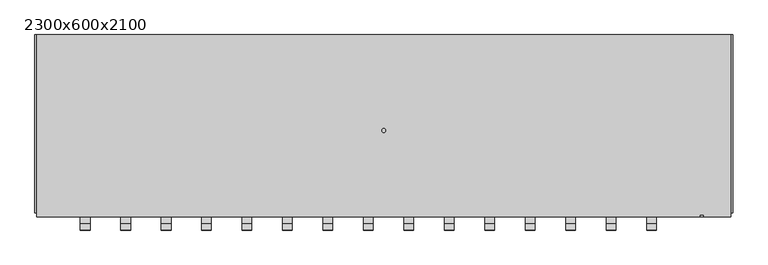
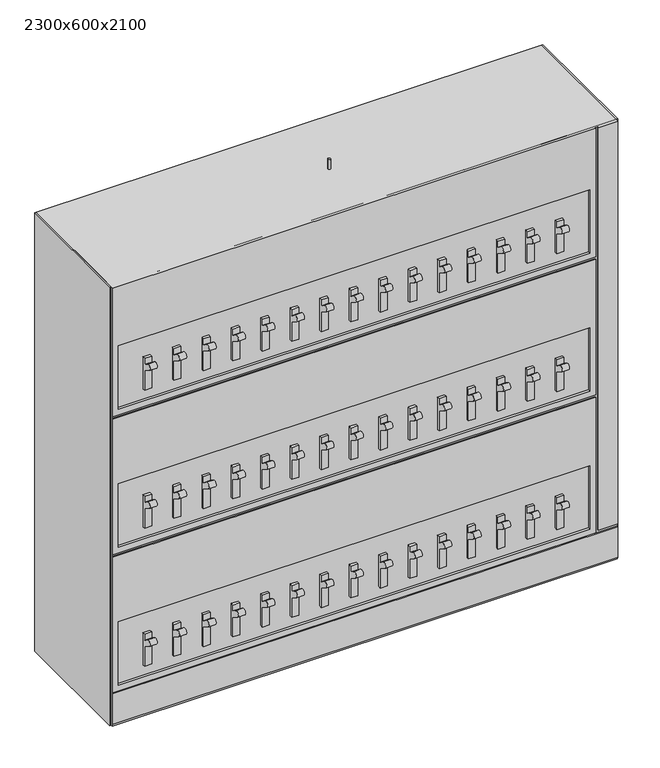
"""IFC4 building model written with IfcOpenShell, lengths in millimetres: proxy geometry, 2300x600x2100."""

from ifc_helpers import new_model, si_unit, point, frame, frame_2d, origin, place, context, project, spatial, polyline, circle_curve, trimmed, segment, composite_curve, outline, extrude, faceted_brep, source, transform, mapped, element, save
from ifc_brep_helpers import plane_surface, cylinder_surface, advanced_brep


def proxy_2300x600x2100_bf810264(model_context):
    return source(origin(), model_context, "Body", "SolidModel", [
        extrude(outline(composite_curve([segment(polyline([(-579.5115662, 1041.5284675), (-555.7854499, 1025.525), (-555.7854499, 1054.1), (-543.0854499, 1054.1), (-543.0854499, 901.7), (-555.7854499, 901.7), (-555.7854499, 993.775), (-594.2306098, 1019.7065878)]), True, "CONTINUOUS"), segment(trimmed(circle_curve(frame_2d((-586.871088, 1030.6175277)), 13.1609715), [point((-594.2306098, 1019.7065878))], [point((-579.5115662, 1041.5284675))], False, "CARTESIAN"), True, "CONTINUOUS")], self_intersect=False)), frame((866.775, 0.0, 0.0), z_axis=(1.0, 0.0, 0.0), x_axis=(0.0, 1.0, 0.0)), (0.0, 0.0, 1.0), 31.75),
        extrude(outline(composite_curve([segment(polyline([(-579.5115662, 1041.5284675), (-555.7854499, 1025.525), (-555.7854499, 1054.1), (-543.0854499, 1054.1), (-543.0854499, 901.7), (-555.7854499, 901.7), (-555.7854499, 993.775), (-594.2306098, 1019.7065878)]), True, "CONTINUOUS"), segment(trimmed(circle_curve(frame_2d((-586.871088, 1030.6175277)), 13.1609715), [point((-594.2306098, 1019.7065878))], [point((-579.5115662, 1041.5284675))], False, "CARTESIAN"), True, "CONTINUOUS")], self_intersect=False)), frame((733.425, 0.0, 0.0), z_axis=(1.0, 0.0, 0.0), x_axis=(0.0, 1.0, 0.0)), (0.0, 0.0, 1.0), 31.75),
        extrude(outline(composite_curve([segment(polyline([(-579.5115662, 1041.5284675), (-555.7854499, 1025.525), (-555.7854499, 1054.1), (-543.0854499, 1054.1), (-543.0854499, 901.7), (-555.7854499, 901.7), (-555.7854499, 993.775), (-594.2306098, 1019.7065878)]), True, "CONTINUOUS"), segment(trimmed(circle_curve(frame_2d((-586.871088, 1030.6175277)), 13.1609715), [point((-594.2306098, 1019.7065878))], [point((-579.5115662, 1041.5284675))], False, "CARTESIAN"), True, "CONTINUOUS")], self_intersect=False)), frame((600.075, 0.0, 0.0), z_axis=(1.0, 0.0, 0.0), x_axis=(0.0, 1.0, 0.0)), (0.0, 0.0, 1.0), 31.75),
        extrude(outline(composite_curve([segment(polyline([(-579.5115662, 1041.5284675), (-555.7854499, 1025.525), (-555.7854499, 1054.1), (-543.0854499, 1054.1), (-543.0854499, 901.7), (-555.7854499, 901.7), (-555.7854499, 993.775), (-594.2306098, 1019.7065878)]), True, "CONTINUOUS"), segment(trimmed(circle_curve(frame_2d((-586.871088, 1030.6175277)), 13.1609715), [point((-594.2306098, 1019.7065878))], [point((-579.5115662, 1041.5284675))], False, "CARTESIAN"), True, "CONTINUOUS")], self_intersect=False)), frame((466.725, 0.0, 0.0), z_axis=(1.0, 0.0, 0.0), x_axis=(0.0, 1.0, 0.0)), (0.0, 0.0, 1.0), 31.75),
        extrude(outline(composite_curve([segment(polyline([(-579.5115662, 1041.5284675), (-555.7854499, 1025.525), (-555.7854499, 1054.1), (-543.0854499, 1054.1), (-543.0854499, 901.7), (-555.7854499, 901.7), (-555.7854499, 993.775), (-594.2306098, 1019.7065878)]), True, "CONTINUOUS"), segment(trimmed(circle_curve(frame_2d((-586.871088, 1030.6175277)), 13.1609715), [point((-594.2306098, 1019.7065878))], [point((-579.5115662, 1041.5284675))], False, "CARTESIAN"), True, "CONTINUOUS")], self_intersect=False)), frame((333.375, 0.0, 0.0), z_axis=(1.0, 0.0, 0.0), x_axis=(0.0, 1.0, 0.0)), (0.0, 0.0, 1.0), 31.75),
        extrude(outline(composite_curve([segment(polyline([(-579.5115662, 1041.5284675), (-555.7854499, 1025.525), (-555.7854499, 1054.1), (-543.0854499, 1054.1), (-543.0854499, 901.7), (-555.7854499, 901.7), (-555.7854499, 993.775), (-594.2306098, 1019.7065878)]), True, "CONTINUOUS"), segment(trimmed(circle_curve(frame_2d((-586.871088, 1030.6175277)), 13.1609715), [point((-594.2306098, 1019.7065878))], [point((-579.5115662, 1041.5284675))], False, "CARTESIAN"), True, "CONTINUOUS")], self_intersect=False)), frame((200.025, 0.0, 0.0), z_axis=(1.0, 0.0, 0.0), x_axis=(0.0, 1.0, 0.0)), (0.0, 0.0, 1.0), 31.75),
        extrude(outline(composite_curve([segment(polyline([(-579.5115662, 1041.5284675), (-555.7854499, 1025.525), (-555.7854499, 1054.1), (-543.0854499, 1054.1), (-543.0854499, 901.7), (-555.7854499, 901.7), (-555.7854499, 993.775), (-594.2306098, 1019.7065878)]), True, "CONTINUOUS"), segment(trimmed(circle_curve(frame_2d((-586.871088, 1030.6175277)), 13.1609715), [point((-594.2306098, 1019.7065878))], [point((-579.5115662, 1041.5284675))], False, "CARTESIAN"), True, "CONTINUOUS")], self_intersect=False)), frame((66.675, 0.0, 0.0), z_axis=(1.0, 0.0, 0.0), x_axis=(0.0, 1.0, 0.0)), (0.0, 0.0, 1.0), 31.75),
        extrude(outline(composite_curve([segment(polyline([(-579.5115662, 1041.5284675), (-555.7854499, 1025.525), (-555.7854499, 1054.1), (-543.0854499, 1054.1), (-543.0854499, 901.7), (-555.7854499, 901.7), (-555.7854499, 993.775), (-594.2306098, 1019.7065878)]), True, "CONTINUOUS"), segment(trimmed(circle_curve(frame_2d((-586.871088, 1030.6175277)), 13.1609715), [point((-594.2306098, 1019.7065878))], [point((-579.5115662, 1041.5284675))], False, "CARTESIAN"), True, "CONTINUOUS")], self_intersect=False)), frame((-66.675, 0.0, 0.0), z_axis=(1.0, 0.0, 0.0), x_axis=(0.0, 1.0, 0.0)), (0.0, 0.0, 1.0), 31.75),
        extrude(outline(composite_curve([segment(polyline([(-579.5115662, 1041.5284675), (-555.7854499, 1025.525), (-555.7854499, 1054.1), (-543.0854499, 1054.1), (-543.0854499, 901.7), (-555.7854499, 901.7), (-555.7854499, 993.775), (-594.2306098, 1019.7065878)]), True, "CONTINUOUS"), segment(trimmed(circle_curve(frame_2d((-586.871088, 1030.6175277)), 13.1609715), [point((-594.2306098, 1019.7065878))], [point((-579.5115662, 1041.5284675))], False, "CARTESIAN"), True, "CONTINUOUS")], self_intersect=False)), frame((-200.025, 0.0, 0.0), z_axis=(1.0, 0.0, 0.0), x_axis=(0.0, 1.0, 0.0)), (0.0, 0.0, 1.0), 31.75),
        extrude(outline(composite_curve([segment(polyline([(-579.5115662, 1701.9284675), (-555.7854499, 1685.925), (-555.7854499, 1714.5), (-543.0854499, 1714.5), (-543.0854499, 1562.1), (-555.7854499, 1562.1), (-555.7854499, 1654.175), (-594.2306098, 1680.1065878)]), True, "CONTINUOUS"), segment(trimmed(circle_curve(frame_2d((-586.871088, 1691.0175277)), 13.1609715), [point((-594.2306098, 1680.1065878))], [point((-579.5115662, 1701.9284675))], False, "CARTESIAN"), True, "CONTINUOUS")], self_intersect=False)), frame((866.775, 0.0, 0.0), z_axis=(1.0, 0.0, 0.0), x_axis=(0.0, 1.0, 0.0)), (0.0, 0.0, 1.0), 31.75),
        extrude(outline(composite_curve([segment(polyline([(-579.5115662, 1701.9284675), (-555.7854499, 1685.925), (-555.7854499, 1714.5), (-543.0854499, 1714.5), (-543.0854499, 1562.1), (-555.7854499, 1562.1), (-555.7854499, 1654.175), (-594.2306098, 1680.1065878)]), True, "CONTINUOUS"), segment(trimmed(circle_curve(frame_2d((-586.871088, 1691.0175277)), 13.1609715), [point((-594.2306098, 1680.1065878))], [point((-579.5115662, 1701.9284675))], False, "CARTESIAN"), True, "CONTINUOUS")], self_intersect=False)), frame((733.425, 0.0, 0.0), z_axis=(1.0, 0.0, 0.0), x_axis=(0.0, 1.0, 0.0)), (0.0, 0.0, 1.0), 31.75),
        extrude(outline(composite_curve([segment(polyline([(-579.5115662, 1701.9284675), (-555.7854499, 1685.925), (-555.7854499, 1714.5), (-543.0854499, 1714.5), (-543.0854499, 1562.1), (-555.7854499, 1562.1), (-555.7854499, 1654.175), (-594.2306098, 1680.1065878)]), True, "CONTINUOUS"), segment(trimmed(circle_curve(frame_2d((-586.871088, 1691.0175277)), 13.1609715), [point((-594.2306098, 1680.1065878))], [point((-579.5115662, 1701.9284675))], False, "CARTESIAN"), True, "CONTINUOUS")], self_intersect=False)), frame((600.075, 0.0, 0.0), z_axis=(1.0, 0.0, 0.0), x_axis=(0.0, 1.0, 0.0)), (0.0, 0.0, 1.0), 31.75),
        extrude(outline(composite_curve([segment(polyline([(-579.5115662, 1701.9284675), (-555.7854499, 1685.925), (-555.7854499, 1714.5), (-543.0854499, 1714.5), (-543.0854499, 1562.1), (-555.7854499, 1562.1), (-555.7854499, 1654.175), (-594.2306098, 1680.1065878)]), True, "CONTINUOUS"), segment(trimmed(circle_curve(frame_2d((-586.871088, 1691.0175277)), 13.1609715), [point((-594.2306098, 1680.1065878))], [point((-579.5115662, 1701.9284675))], False, "CARTESIAN"), True, "CONTINUOUS")], self_intersect=False)), frame((466.725, 0.0, 0.0), z_axis=(1.0, 0.0, 0.0), x_axis=(0.0, 1.0, 0.0)), (0.0, 0.0, 1.0), 31.75),
        extrude(outline(composite_curve([segment(polyline([(-579.5115662, 1701.9284675), (-555.7854499, 1685.925), (-555.7854499, 1714.5), (-543.0854499, 1714.5), (-543.0854499, 1562.1), (-555.7854499, 1562.1), (-555.7854499, 1654.175), (-594.2306098, 1680.1065878)]), True, "CONTINUOUS"), segment(trimmed(circle_curve(frame_2d((-586.871088, 1691.0175277)), 13.1609715), [point((-594.2306098, 1680.1065878))], [point((-579.5115662, 1701.9284675))], False, "CARTESIAN"), True, "CONTINUOUS")], self_intersect=False)), frame((333.375, 0.0, 0.0), z_axis=(1.0, 0.0, 0.0), x_axis=(0.0, 1.0, 0.0)), (0.0, 0.0, 1.0), 31.75),
        extrude(outline(composite_curve([segment(polyline([(-579.5115662, 1701.9284675), (-555.7854499, 1685.925), (-555.7854499, 1714.5), (-543.0854499, 1714.5), (-543.0854499, 1562.1), (-555.7854499, 1562.1), (-555.7854499, 1654.175), (-594.2306098, 1680.1065878)]), True, "CONTINUOUS"), segment(trimmed(circle_curve(frame_2d((-586.871088, 1691.0175277)), 13.1609715), [point((-594.2306098, 1680.1065878))], [point((-579.5115662, 1701.9284675))], False, "CARTESIAN"), True, "CONTINUOUS")], self_intersect=False)), frame((200.025, 0.0, 0.0), z_axis=(1.0, 0.0, 0.0), x_axis=(0.0, 1.0, 0.0)), (0.0, 0.0, 1.0), 31.75),
        extrude(outline(composite_curve([segment(polyline([(-579.5115662, 1701.9284675), (-555.7854499, 1685.925), (-555.7854499, 1714.5), (-543.0854499, 1714.5), (-543.0854499, 1562.1), (-555.7854499, 1562.1), (-555.7854499, 1654.175), (-594.2306098, 1680.1065878)]), True, "CONTINUOUS"), segment(trimmed(circle_curve(frame_2d((-586.871088, 1691.0175277)), 13.1609715), [point((-594.2306098, 1680.1065878))], [point((-579.5115662, 1701.9284675))], False, "CARTESIAN"), True, "CONTINUOUS")], self_intersect=False)), frame((66.675, 0.0, 0.0), z_axis=(1.0, 0.0, 0.0), x_axis=(0.0, 1.0, 0.0)), (0.0, 0.0, 1.0), 31.75),
        extrude(outline(composite_curve([segment(polyline([(-579.5115662, 1701.9284675), (-555.7854499, 1685.925), (-555.7854499, 1714.5), (-543.0854499, 1714.5), (-543.0854499, 1562.1), (-555.7854499, 1562.1), (-555.7854499, 1654.175), (-594.2306098, 1680.1065878)]), True, "CONTINUOUS"), segment(trimmed(circle_curve(frame_2d((-586.871088, 1691.0175277)), 13.1609715), [point((-594.2306098, 1680.1065878))], [point((-579.5115662, 1701.9284675))], False, "CARTESIAN"), True, "CONTINUOUS")], self_intersect=False)), frame((-66.675, 0.0, 0.0), z_axis=(1.0, 0.0, 0.0), x_axis=(0.0, 1.0, 0.0)), (0.0, 0.0, 1.0), 31.75),
        extrude(outline(composite_curve([segment(polyline([(-579.5115662, 1701.9284675), (-555.7854499, 1685.925), (-555.7854499, 1714.5), (-543.0854499, 1714.5), (-543.0854499, 1562.1), (-555.7854499, 1562.1), (-555.7854499, 1654.175), (-594.2306098, 1680.1065878)]), True, "CONTINUOUS"), segment(trimmed(circle_curve(frame_2d((-586.871088, 1691.0175277)), 13.1609715), [point((-594.2306098, 1680.1065878))], [point((-579.5115662, 1701.9284675))], False, "CARTESIAN"), True, "CONTINUOUS")], self_intersect=False)), frame((-200.025, 0.0, 0.0), z_axis=(1.0, 0.0, 0.0), x_axis=(0.0, 1.0, 0.0)), (0.0, 0.0, 1.0), 31.75),
        extrude(outline(composite_curve([segment(polyline([(-579.5115662, 381.1284675), (-555.7854499, 365.125), (-555.7854499, 393.7), (-543.0854499, 393.7), (-543.0854499, 241.3), (-555.7854499, 241.3), (-555.7854499, 333.375), (-594.2306098, 359.3065878)]), True, "CONTINUOUS"), segment(trimmed(circle_curve(frame_2d((-586.871088, 370.2175277)), 13.1609715), [point((-594.2306098, 359.3065878))], [point((-579.5115662, 381.1284675))], False, "CARTESIAN"), True, "CONTINUOUS")], self_intersect=False)), frame((866.775, 0.0, 0.0), z_axis=(1.0, 0.0, 0.0), x_axis=(0.0, 1.0, 0.0)), (0.0, 0.0, 1.0), 31.75),
        extrude(outline(composite_curve([segment(polyline([(-579.5115662, 381.1284675), (-555.7854499, 365.125), (-555.7854499, 393.7), (-543.0854499, 393.7), (-543.0854499, 241.3), (-555.7854499, 241.3), (-555.7854499, 333.375), (-594.2306098, 359.3065878)]), True, "CONTINUOUS"), segment(trimmed(circle_curve(frame_2d((-586.871088, 370.2175277)), 13.1609715), [point((-594.2306098, 359.3065878))], [point((-579.5115662, 381.1284675))], False, "CARTESIAN"), True, "CONTINUOUS")], self_intersect=False)), frame((733.425, 0.0, 0.0), z_axis=(1.0, 0.0, 0.0), x_axis=(0.0, 1.0, 0.0)), (0.0, 0.0, 1.0), 31.75),
        extrude(outline(composite_curve([segment(polyline([(-579.5115662, 381.1284675), (-555.7854499, 365.125), (-555.7854499, 393.7), (-543.0854499, 393.7), (-543.0854499, 241.3), (-555.7854499, 241.3), (-555.7854499, 333.375), (-594.2306098, 359.3065878)]), True, "CONTINUOUS"), segment(trimmed(circle_curve(frame_2d((-586.871088, 370.2175277)), 13.1609715), [point((-594.2306098, 359.3065878))], [point((-579.5115662, 381.1284675))], False, "CARTESIAN"), True, "CONTINUOUS")], self_intersect=False)), frame((600.075, 0.0, 0.0), z_axis=(1.0, 0.0, 0.0), x_axis=(0.0, 1.0, 0.0)), (0.0, 0.0, 1.0), 31.75),
        extrude(outline(composite_curve([segment(polyline([(-579.5115662, 381.1284675), (-555.7854499, 365.125), (-555.7854499, 393.7), (-543.0854499, 393.7), (-543.0854499, 241.3), (-555.7854499, 241.3), (-555.7854499, 333.375), (-594.2306098, 359.3065878)]), True, "CONTINUOUS"), segment(trimmed(circle_curve(frame_2d((-586.871088, 370.2175277)), 13.1609715), [point((-594.2306098, 359.3065878))], [point((-579.5115662, 381.1284675))], False, "CARTESIAN"), True, "CONTINUOUS")], self_intersect=False)), frame((466.725, 0.0, 0.0), z_axis=(1.0, 0.0, 0.0), x_axis=(0.0, 1.0, 0.0)), (0.0, 0.0, 1.0), 31.75),
        extrude(outline(composite_curve([segment(polyline([(-579.5115662, 381.1284675), (-555.7854499, 365.125), (-555.7854499, 393.7), (-543.0854499, 393.7), (-543.0854499, 241.3), (-555.7854499, 241.3), (-555.7854499, 333.375), (-594.2306098, 359.3065878)]), True, "CONTINUOUS"), segment(trimmed(circle_curve(frame_2d((-586.871088, 370.2175277)), 13.1609715), [point((-594.2306098, 359.3065878))], [point((-579.5115662, 381.1284675))], False, "CARTESIAN"), True, "CONTINUOUS")], self_intersect=False)), frame((333.375, 0.0, 0.0), z_axis=(1.0, 0.0, 0.0), x_axis=(0.0, 1.0, 0.0)), (0.0, 0.0, 1.0), 31.75),
        extrude(outline(composite_curve([segment(polyline([(-579.5115662, 381.1284675), (-555.7854499, 365.125), (-555.7854499, 393.7), (-543.0854499, 393.7), (-543.0854499, 241.3), (-555.7854499, 241.3), (-555.7854499, 333.375), (-594.2306098, 359.3065878)]), True, "CONTINUOUS"), segment(trimmed(circle_curve(frame_2d((-586.871088, 370.2175277)), 13.1609715), [point((-594.2306098, 359.3065878))], [point((-579.5115662, 381.1284675))], False, "CARTESIAN"), True, "CONTINUOUS")], self_intersect=False)), frame((200.025, 0.0, 0.0), z_axis=(1.0, 0.0, 0.0), x_axis=(0.0, 1.0, 0.0)), (0.0, 0.0, 1.0), 31.75),
        extrude(outline(composite_curve([segment(polyline([(-579.5115662, 381.1284675), (-555.7854499, 365.125), (-555.7854499, 393.7), (-543.0854499, 393.7), (-543.0854499, 241.3), (-555.7854499, 241.3), (-555.7854499, 333.375), (-594.2306098, 359.3065878)]), True, "CONTINUOUS"), segment(trimmed(circle_curve(frame_2d((-586.871088, 370.2175277)), 13.1609715), [point((-594.2306098, 359.3065878))], [point((-579.5115662, 381.1284675))], False, "CARTESIAN"), True, "CONTINUOUS")], self_intersect=False)), frame((66.675, 0.0, 0.0), z_axis=(1.0, 0.0, 0.0), x_axis=(0.0, 1.0, 0.0)), (0.0, 0.0, 1.0), 31.75),
        extrude(outline(composite_curve([segment(polyline([(-579.5115662, 381.1284675), (-555.7854499, 365.125), (-555.7854499, 393.7), (-543.0854499, 393.7), (-543.0854499, 241.3), (-555.7854499, 241.3), (-555.7854499, 333.375), (-594.2306098, 359.3065878)]), True, "CONTINUOUS"), segment(trimmed(circle_curve(frame_2d((-586.871088, 370.2175277)), 13.1609715), [point((-594.2306098, 359.3065878))], [point((-579.5115662, 381.1284675))], False, "CARTESIAN"), True, "CONTINUOUS")], self_intersect=False)), frame((-66.675, 0.0, 0.0), z_axis=(1.0, 0.0, 0.0), x_axis=(0.0, 1.0, 0.0)), (0.0, 0.0, 1.0), 31.75),
        extrude(outline(composite_curve([segment(polyline([(-579.5115662, 381.1284675), (-555.7854499, 365.125), (-555.7854499, 393.7), (-543.0854499, 393.7), (-543.0854499, 241.3), (-555.7854499, 241.3), (-555.7854499, 333.375), (-594.2306098, 359.3065878)]), True, "CONTINUOUS"), segment(trimmed(circle_curve(frame_2d((-586.871088, 370.2175277)), 13.1609715), [point((-594.2306098, 359.3065878))], [point((-579.5115662, 381.1284675))], False, "CARTESIAN"), True, "CONTINUOUS")], self_intersect=False)), frame((-200.025, 0.0, 0.0), z_axis=(1.0, 0.0, 0.0), x_axis=(0.0, 1.0, 0.0)), (0.0, 0.0, 1.0), 31.75),
        extrude(outline(composite_curve([segment(polyline([(-579.5115662, 1041.5284675), (-555.7854499, 1025.525), (-555.7854499, 1054.1), (-543.0854499, 1054.1), (-543.0854499, 901.7), (-555.7854499, 901.7), (-555.7854499, 993.775), (-594.2306098, 1019.7065878)]), True, "CONTINUOUS"), segment(trimmed(circle_curve(frame_2d((-586.871088, 1030.6175277)), 13.1609715), [point((-594.2306098, 1019.7065878))], [point((-579.5115662, 1041.5284675))], False, "CARTESIAN"), True, "CONTINUOUS")], self_intersect=False)), frame((-333.375, 0.0, 0.0), z_axis=(1.0, 0.0, 0.0), x_axis=(0.0, 1.0, 0.0)), (0.0, 0.0, 1.0), 31.75),
        extrude(outline(composite_curve([segment(polyline([(-579.5115662, 1041.5284675), (-555.7854499, 1025.525), (-555.7854499, 1054.1), (-543.0854499, 1054.1), (-543.0854499, 901.7), (-555.7854499, 901.7), (-555.7854499, 993.775), (-594.2306098, 1019.7065878)]), True, "CONTINUOUS"), segment(trimmed(circle_curve(frame_2d((-586.871088, 1030.6175277)), 13.1609715), [point((-594.2306098, 1019.7065878))], [point((-579.5115662, 1041.5284675))], False, "CARTESIAN"), True, "CONTINUOUS")], self_intersect=False)), frame((-466.725, 0.0, 0.0), z_axis=(1.0, 0.0, 0.0), x_axis=(0.0, 1.0, 0.0)), (0.0, 0.0, 1.0), 31.75),
        extrude(outline(composite_curve([segment(polyline([(-579.5115662, 1701.9284675), (-555.7854499, 1685.925), (-555.7854499, 1714.5), (-543.0854499, 1714.5), (-543.0854499, 1562.1), (-555.7854499, 1562.1), (-555.7854499, 1654.175), (-594.2306098, 1680.1065878)]), True, "CONTINUOUS"), segment(trimmed(circle_curve(frame_2d((-586.871088, 1691.0175277)), 13.1609715), [point((-594.2306098, 1680.1065878))], [point((-579.5115662, 1701.9284675))], False, "CARTESIAN"), True, "CONTINUOUS")], self_intersect=False)), frame((-333.375, 0.0, 0.0), z_axis=(1.0, 0.0, 0.0), x_axis=(0.0, 1.0, 0.0)), (0.0, 0.0, 1.0), 31.75),
        extrude(outline(composite_curve([segment(polyline([(-579.5115662, 1701.9284675), (-555.7854499, 1685.925), (-555.7854499, 1714.5), (-543.0854499, 1714.5), (-543.0854499, 1562.1), (-555.7854499, 1562.1), (-555.7854499, 1654.175), (-594.2306098, 1680.1065878)]), True, "CONTINUOUS"), segment(trimmed(circle_curve(frame_2d((-586.871088, 1691.0175277)), 13.1609715), [point((-594.2306098, 1680.1065878))], [point((-579.5115662, 1701.9284675))], False, "CARTESIAN"), True, "CONTINUOUS")], self_intersect=False)), frame((-466.725, 0.0, 0.0), z_axis=(1.0, 0.0, 0.0), x_axis=(0.0, 1.0, 0.0)), (0.0, 0.0, 1.0), 31.75),
        extrude(outline(composite_curve([segment(polyline([(-579.5115662, 381.1284675), (-555.7854499, 365.125), (-555.7854499, 393.7), (-543.0854499, 393.7), (-543.0854499, 241.3), (-555.7854499, 241.3), (-555.7854499, 333.375), (-594.2306098, 359.3065878)]), True, "CONTINUOUS"), segment(trimmed(circle_curve(frame_2d((-586.871088, 370.2175277)), 13.1609715), [point((-594.2306098, 359.3065878))], [point((-579.5115662, 381.1284675))], False, "CARTESIAN"), True, "CONTINUOUS")], self_intersect=False)), frame((-333.375, 0.0, 0.0), z_axis=(1.0, 0.0, 0.0), x_axis=(0.0, 1.0, 0.0)), (0.0, 0.0, 1.0), 31.75),
        extrude(outline(composite_curve([segment(polyline([(-579.5115662, 381.1284675), (-555.7854499, 365.125), (-555.7854499, 393.7), (-543.0854499, 393.7), (-543.0854499, 241.3), (-555.7854499, 241.3), (-555.7854499, 333.375), (-594.2306098, 359.3065878)]), True, "CONTINUOUS"), segment(trimmed(circle_curve(frame_2d((-586.871088, 370.2175277)), 13.1609715), [point((-594.2306098, 359.3065878))], [point((-579.5115662, 381.1284675))], False, "CARTESIAN"), True, "CONTINUOUS")], self_intersect=False)), frame((-466.725, 0.0, 0.0), z_axis=(1.0, 0.0, 0.0), x_axis=(0.0, 1.0, 0.0)), (0.0, 0.0, 1.0), 31.75),
        extrude(outline(composite_curve([segment(polyline([(-579.5115662, 381.1284675), (-555.7854499, 365.125), (-555.7854499, 393.7), (-543.0854499, 393.7), (-543.0854499, 241.3), (-555.7854499, 241.3), (-555.7854499, 333.375), (-594.2306098, 359.3065878)]), True, "CONTINUOUS"), segment(trimmed(circle_curve(frame_2d((-586.871088, 370.2175277)), 13.1609715), [point((-594.2306098, 359.3065878))], [point((-579.5115662, 381.1284675))], False, "CARTESIAN"), True, "CONTINUOUS")], self_intersect=False)), frame((-600.075, 0.0, 0.0), z_axis=(1.0, 0.0, 0.0), x_axis=(0.0, 1.0, 0.0)), (0.0, 0.0, 1.0), 31.75),
        extrude(outline(composite_curve([segment(polyline([(-579.5115662, 381.1284675), (-555.7854499, 365.125), (-555.7854499, 393.7), (-543.0854499, 393.7), (-543.0854499, 241.3), (-555.7854499, 241.3), (-555.7854499, 333.375), (-594.2306098, 359.3065878)]), True, "CONTINUOUS"), segment(trimmed(circle_curve(frame_2d((-586.871088, 370.2175277)), 13.1609715), [point((-594.2306098, 359.3065878))], [point((-579.5115662, 381.1284675))], False, "CARTESIAN"), True, "CONTINUOUS")], self_intersect=False)), frame((-733.425, 0.0, 0.0), z_axis=(1.0, 0.0, 0.0), x_axis=(0.0, 1.0, 0.0)), (0.0, 0.0, 1.0), 31.75),
        extrude(outline(composite_curve([segment(polyline([(-579.5115662, 381.1284675), (-555.7854499, 365.125), (-555.7854499, 393.7), (-543.0854499, 393.7), (-543.0854499, 241.3), (-555.7854499, 241.3), (-555.7854499, 333.375), (-594.2306098, 359.3065878)]), True, "CONTINUOUS"), segment(trimmed(circle_curve(frame_2d((-586.871088, 370.2175277)), 13.1609715), [point((-594.2306098, 359.3065878))], [point((-579.5115662, 381.1284675))], False, "CARTESIAN"), True, "CONTINUOUS")], self_intersect=False)), frame((-866.775, 0.0, 0.0), z_axis=(1.0, 0.0, 0.0), x_axis=(0.0, 1.0, 0.0)), (0.0, 0.0, 1.0), 31.75),
        extrude(outline(composite_curve([segment(polyline([(-579.5115662, 381.1284675), (-555.7854499, 365.125), (-555.7854499, 393.7), (-543.0854499, 393.7), (-543.0854499, 241.3), (-555.7854499, 241.3), (-555.7854499, 333.375), (-594.2306098, 359.3065878)]), True, "CONTINUOUS"), segment(trimmed(circle_curve(frame_2d((-586.871088, 370.2175277)), 13.1609715), [point((-594.2306098, 359.3065878))], [point((-579.5115662, 381.1284675))], False, "CARTESIAN"), True, "CONTINUOUS")], self_intersect=False)), frame((-1000.125, 0.0, 0.0), z_axis=(1.0, 0.0, 0.0), x_axis=(0.0, 1.0, 0.0)), (0.0, 0.0, 1.0), 31.75),
        extrude(outline(composite_curve([segment(polyline([(-579.5115662, 1041.5284675), (-555.7854499, 1025.525), (-555.7854499, 1054.1), (-543.0854499, 1054.1), (-543.0854499, 901.7), (-555.7854499, 901.7), (-555.7854499, 993.775), (-594.2306098, 1019.7065878)]), True, "CONTINUOUS"), segment(trimmed(circle_curve(frame_2d((-586.871088, 1030.6175277)), 13.1609715), [point((-594.2306098, 1019.7065878))], [point((-579.5115662, 1041.5284675))], False, "CARTESIAN"), True, "CONTINUOUS")], self_intersect=False)), frame((-600.075, 0.0, 0.0), z_axis=(1.0, 0.0, 0.0), x_axis=(0.0, 1.0, 0.0)), (0.0, 0.0, 1.0), 31.75),
        extrude(outline(composite_curve([segment(polyline([(-579.5115662, 1041.5284675), (-555.7854499, 1025.525), (-555.7854499, 1054.1), (-543.0854499, 1054.1), (-543.0854499, 901.7), (-555.7854499, 901.7), (-555.7854499, 993.775), (-594.2306098, 1019.7065878)]), True, "CONTINUOUS"), segment(trimmed(circle_curve(frame_2d((-586.871088, 1030.6175277)), 13.1609715), [point((-594.2306098, 1019.7065878))], [point((-579.5115662, 1041.5284675))], False, "CARTESIAN"), True, "CONTINUOUS")], self_intersect=False)), frame((-733.425, 0.0, 0.0), z_axis=(1.0, 0.0, 0.0), x_axis=(0.0, 1.0, 0.0)), (0.0, 0.0, 1.0), 31.75),
        extrude(outline(composite_curve([segment(polyline([(-579.5115662, 1041.5284675), (-555.7854499, 1025.525), (-555.7854499, 1054.1), (-543.0854499, 1054.1), (-543.0854499, 901.7), (-555.7854499, 901.7), (-555.7854499, 993.775), (-594.2306098, 1019.7065878)]), True, "CONTINUOUS"), segment(trimmed(circle_curve(frame_2d((-586.871088, 1030.6175277)), 13.1609715), [point((-594.2306098, 1019.7065878))], [point((-579.5115662, 1041.5284675))], False, "CARTESIAN"), True, "CONTINUOUS")], self_intersect=False)), frame((-866.775, 0.0, 0.0), z_axis=(1.0, 0.0, 0.0), x_axis=(0.0, 1.0, 0.0)), (0.0, 0.0, 1.0), 31.75),
        extrude(outline(composite_curve([segment(polyline([(-579.5115662, 1041.5284675), (-555.7854499, 1025.525), (-555.7854499, 1054.1), (-543.0854499, 1054.1), (-543.0854499, 901.7), (-555.7854499, 901.7), (-555.7854499, 993.775), (-594.2306098, 1019.7065878)]), True, "CONTINUOUS"), segment(trimmed(circle_curve(frame_2d((-586.871088, 1030.6175277)), 13.1609715), [point((-594.2306098, 1019.7065878))], [point((-579.5115662, 1041.5284675))], False, "CARTESIAN"), True, "CONTINUOUS")], self_intersect=False)), frame((-1000.125, 0.0, 0.0), z_axis=(1.0, 0.0, 0.0), x_axis=(0.0, 1.0, 0.0)), (0.0, 0.0, 1.0), 31.75),
        extrude(outline(composite_curve([segment(polyline([(-579.5115662, 1701.9284675), (-555.7854499, 1685.925), (-555.7854499, 1714.5), (-543.0854499, 1714.5), (-543.0854499, 1562.1), (-555.7854499, 1562.1), (-555.7854499, 1654.175), (-594.2306098, 1680.1065878)]), True, "CONTINUOUS"), segment(trimmed(circle_curve(frame_2d((-586.871088, 1691.0175277)), 13.1609715), [point((-594.2306098, 1680.1065878))], [point((-579.5115662, 1701.9284675))], False, "CARTESIAN"), True, "CONTINUOUS")], self_intersect=False)), frame((-600.075, 0.0, 0.0), z_axis=(1.0, 0.0, 0.0), x_axis=(0.0, 1.0, 0.0)), (0.0, 0.0, 1.0), 31.75),
        extrude(outline(composite_curve([segment(polyline([(-579.5115662, 1701.9284675), (-555.7854499, 1685.925), (-555.7854499, 1714.5), (-543.0854499, 1714.5), (-543.0854499, 1562.1), (-555.7854499, 1562.1), (-555.7854499, 1654.175), (-594.2306098, 1680.1065878)]), True, "CONTINUOUS"), segment(trimmed(circle_curve(frame_2d((-586.871088, 1691.0175277)), 13.1609715), [point((-594.2306098, 1680.1065878))], [point((-579.5115662, 1701.9284675))], False, "CARTESIAN"), True, "CONTINUOUS")], self_intersect=False)), frame((-733.425, 0.0, 0.0), z_axis=(1.0, 0.0, 0.0), x_axis=(0.0, 1.0, 0.0)), (0.0, 0.0, 1.0), 31.75),
        extrude(outline(composite_curve([segment(polyline([(-579.5115662, 1701.9284675), (-555.7854499, 1685.925), (-555.7854499, 1714.5), (-543.0854499, 1714.5), (-543.0854499, 1562.1), (-555.7854499, 1562.1), (-555.7854499, 1654.175), (-594.2306098, 1680.1065878)]), True, "CONTINUOUS"), segment(trimmed(circle_curve(frame_2d((-586.871088, 1691.0175277)), 13.1609715), [point((-594.2306098, 1680.1065878))], [point((-579.5115662, 1701.9284675))], False, "CARTESIAN"), True, "CONTINUOUS")], self_intersect=False)), frame((-866.775, 0.0, 0.0), z_axis=(1.0, 0.0, 0.0), x_axis=(0.0, 1.0, 0.0)), (0.0, 0.0, 1.0), 31.75),
        extrude(outline(composite_curve([segment(polyline([(-579.5115662, 1701.9284675), (-555.7854499, 1685.925), (-555.7854499, 1714.5), (-543.0854499, 1714.5), (-543.0854499, 1562.1), (-555.7854499, 1562.1), (-555.7854499, 1654.175), (-594.2306098, 1680.1065878)]), True, "CONTINUOUS"), segment(trimmed(circle_curve(frame_2d((-586.871088, 1691.0175277)), 13.1609715), [point((-594.2306098, 1680.1065878))], [point((-579.5115662, 1701.9284675))], False, "CARTESIAN"), True, "CONTINUOUS")], self_intersect=False)), frame((-1000.125, 0.0, 0.0), z_axis=(1.0, 0.0, 0.0), x_axis=(0.0, 1.0, 0.0)), (0.0, 0.0, 1.0), 31.75),
        faceted_brep([(-1143.65, -549.4354499, 0.0), (1143.65, -549.4354499, 0.0), (1143.65, -549.4354499, 12.7), (-1143.65, -549.4354499, 12.7), (-1143.65, -549.4354499, 812.8), (1042.05, -549.4354499, 812.8), (1042.05, -549.4354499, 165.1), (-1143.65, -549.4354499, 165.1), (-1143.65, -549.4354499, 158.75), (1143.65, -549.4354499, 158.75), (1143.65, -549.4354499, 171.45), (1054.75, -549.4354499, 171.45), (1054.75, -549.4354499, 2100.0), (1042.05, -549.4354499, 2100.0), (1042.05, -549.4354499, 1485.9), (-1143.65, -549.4354499, 1485.9), (-1143.65, -549.4354499, 1473.2), (1042.05, -549.4354499, 1473.2), (1042.05, -549.4354499, 825.5), (-1143.65, -549.4354499, 825.5), (1143.65, 44.2145501, 2100.0), (1143.65, 44.2145501, 0.0), (-1143.65, 44.2145501, 0.0), (-1143.65, 44.2145501, 2100.0), (-1143.65, -555.7854499, 2100.0), (1042.05, -555.7854499, 2100.0), (1054.75, -555.7854499, 2100.0), (1143.65, -555.7854499, 2100.0), (-1143.65, -555.7854499, 12.7), (-1143.65, -555.7854499, 158.75), (-1143.65, -555.7854499, 165.1), (-1143.65, -555.7854499, 812.8), (-1143.65, -555.7854499, 825.5), (-1143.65, -555.7854499, 1473.2), (-1143.65, -555.7854499, 1485.9), (1143.65, -555.7854499, 171.45), (1143.65, -555.7854499, 158.75), (1143.65, -555.7854499, 12.7), (1016.65, -543.0854499, 1816.1), (-1118.25, -543.0854499, 1816.1), (-1118.25, -543.0854499, 1511.3), (1016.65, -543.0854499, 1511.3), (1016.65, -555.7854499, 1816.1), (-1118.25, -555.7854499, 1816.1), (-1118.25, -555.7854499, 1511.3), (1016.65, -555.7854499, 1511.3), (1016.65, -543.0854499, 1155.7), (-1118.25, -543.0854499, 1155.7), (-1118.25, -543.0854499, 850.9), (1016.65, -543.0854499, 850.9), (1016.65, -555.7854499, 1155.7), (-1118.25, -555.7854499, 1155.7), (-1118.25, -555.7854499, 850.9), (1016.65, -555.7854499, 850.9), (1042.05, -555.7854499, 812.8), (1042.05, -555.7854499, 165.1), (-1118.25, -555.7854499, 495.3), (1016.65, -555.7854499, 495.3), (1016.65, -555.7854499, 190.5), (-1118.25, -555.7854499, 190.5), (1016.65, -543.0854499, 495.3), (-1118.25, -543.0854499, 495.3), (-1118.25, -543.0854499, 190.5), (1016.65, -543.0854499, 190.5), (1042.05, -555.7854499, 1473.2), (1042.05, -555.7854499, 825.5), (1042.05, -555.7854499, 1485.9), (1054.75, -555.7854499, 171.45)], [[[0, 1, 2, 3]], [[4, 5, 6, 7, 8, 9, 10, 11, 12, 13, 14, 15, 16, 17, 18, 19]], [[20, 21, 22, 23]], [[20, 23, 24, 25, 13, 12, 26, 27]], [[23, 22, 0, 3, 28, 29, 8, 7, 30, 31, 4, 19, 32, 33, 16, 15, 34, 24]], [[1, 0, 22, 21]], [[21, 20, 27, 35, 10, 9, 36, 37, 2, 1]], [[38, 39, 40, 41]], [[39, 38, 42, 43]], [[40, 39, 43, 44]], [[41, 40, 44, 45]], [[38, 41, 45, 42]], [[46, 47, 48, 49]], [[47, 46, 50, 51]], [[48, 47, 51, 52]], [[49, 48, 52, 53]], [[46, 49, 53, 50]], [[54, 31, 30, 55], [56, 57, 58, 59]], [[31, 54, 5, 4]], [[55, 30, 7, 6]], [[54, 55, 6, 5]], [[60, 61, 62, 63]], [[61, 60, 57, 56]], [[62, 61, 56, 59]], [[63, 62, 59, 58]], [[60, 63, 58, 57]], [[64, 33, 32, 65], [51, 50, 53, 52]], [[33, 64, 17, 16]], [[65, 32, 19, 18]], [[64, 65, 18, 17]], [[25, 24, 34, 66], [43, 42, 45, 44]], [[66, 34, 15, 14]], [[25, 66, 14, 13]], [[27, 26, 67, 35]], [[67, 26, 12, 11]], [[35, 67, 11, 10]], [[36, 29, 28, 37]], [[29, 36, 9, 8]], [[37, 28, 3, 2]]]),
        advanced_brep(
        [(1150.0, 44.2145501, 2100.0), (-1150.0, 44.2145501, 2100.0), (-1150.0, -543.0854499, 2100.0), (1150.0, -543.0854499, 2100.0), (6.35, -271.5427249, 2100.0), (-6.35, -271.5427249, 2100.0), (1150.0, 44.2145501, 0.0), (1150.0, -543.0854499, 0.0), (-1150.0, -543.0854499, 0.0), (-1150.0, 44.2145501, 0.0), (-6.35, -271.5427249, 2146.3), (6.35, -271.5427249, 2146.3)],
        [
            (0, 1),
            (1, 2),
            (2, 3),
            (3, 0),
            (4, 5, circle_curve(frame((0.0, -271.5427249, 2100.0), z_axis=(0.0, 0.0, -1.0), x_axis=(1.0, 0.0, 0.0)), 6.35)),
            (5, 4, circle_curve(frame((0.0, -271.5427249, 2100.0), z_axis=(0.0, 0.0, -1.0), x_axis=(1.0, 0.0, 0.0)), 6.35)),
            (6, 7),
            (7, 8),
            (8, 9),
            (9, 6),
            (0, 6),
            (9, 1),
            (8, 2),
            (7, 3),
            (10, 11, circle_curve(frame((0.0, -271.5427249, 2146.3), z_axis=(0.0, 0.0, 1.0), x_axis=(1.0, 0.0, 0.0)), 6.35)),
            (11, 10, circle_curve(frame((0.0, -271.5427249, 2146.3), z_axis=(0.0, 0.0, 1.0), x_axis=(1.0, 0.0, 0.0)), 6.35)),
            (10, 5),
            (4, 11),
        ],
        [
            plane_surface(frame((-1150.0, 44.2145501, 2100.0), z_axis=(0.0, 0.0, 1.0), x_axis=(-1.0, 0.0, 0.0))),
            plane_surface(frame((-1150.0, 44.2145501, 0.0), z_axis=(0.0, 0.0, -1.0), x_axis=(1.0, 0.0, 0.0))),
            plane_surface(frame((1150.0, 44.2145501, 2100.0), z_axis=(0.0, 1.0, 0.0), x_axis=(0.0, 0.0, -1.0))),
            plane_surface(frame((-1150.0, 44.2145501, 2100.0), z_axis=(-1.0, 0.0, 0.0), x_axis=(0.0, 0.0, -1.0))),
            plane_surface(frame((-1150.0, -543.0854499, 2100.0), z_axis=(0.0, -1.0, 0.0), x_axis=(0.0, 0.0, -1.0))),
            plane_surface(frame((1150.0, -543.0854499, 2100.0), z_axis=(1.0, 0.0, 0.0), x_axis=(0.0, 0.0, -1.0))),
            plane_surface(frame((6.35, -271.5427249, 2146.3), z_axis=(0.0, 0.0, 1.0), x_axis=(0.0, 1.0, 0.0))),
            cylinder_surface(frame((0.0, -271.5427249, 2100.0), z_axis=(0.0, 0.0, 1.0), x_axis=(1.0, 0.0, 0.0)), 6.35),
        ],
        [
            (0, [[1, 2, 3, 4], [5, 6]]),
            (1, [[7, 8, 9, 10]]),
            (2, [[-1, 11, -10, 12]]),
            (3, [[-2, -12, -9, 13]]),
            (4, [[-3, -13, -8, 14]]),
            (5, [[-4, -14, -7, -11]]),
            (6, [[15, 16]]),
            (7, [[-15, 17, -5, 18]]),
            (7, [[-16, -18, -6, -17]]),
        ],
    ),
    ])


if __name__ == "__main__":
    model = new_model("IFC4")
    model_context = context("Model", 3, world=origin())
    ifc_project = project(units=[si_unit("LENGTHUNIT", "METRE", prefix="MILLI")], contexts=[model_context])
    site = spatial("IfcSite", under=ifc_project)
    building = spatial("IfcBuilding", under=site)
    placement = place(None, origin())
    proxy_2300x600x2100_shape = proxy_2300x600x2100_bf810264(model_context)
    element("IfcBuildingElementProxy", 1, Name="2300x600x2100", ObjectType="2300x600x2100", at=placement, inside=building, context=model_context, shape_type="MappedRepresentation", body=[
        mapped(proxy_2300x600x2100_shape, transform((0.0, 0.0, 0.0), x_axis=(1.0, 0.0, 0.0), y_axis=(0.0, 1.0, 0.0), z_axis=(0.0, 0.0, 1.0))),
    ])
    save(model, "model.ifc")
